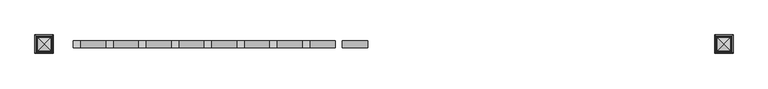
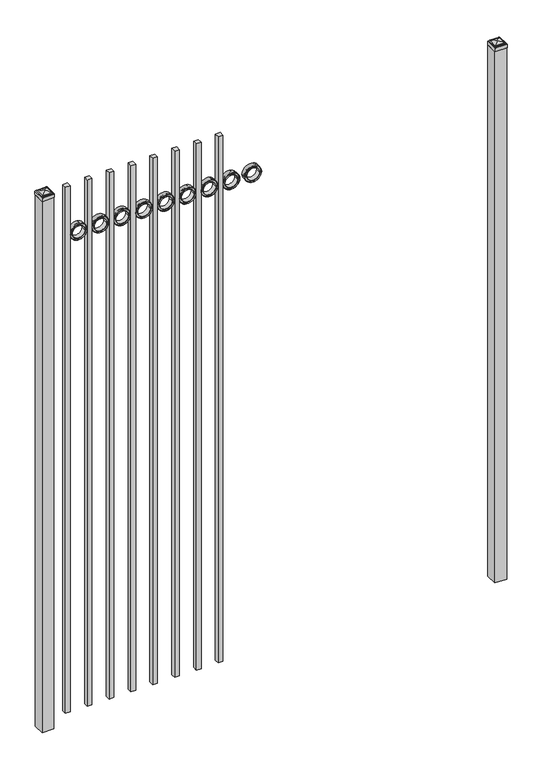
"""IFC4 building model written with IfcOpenShell, lengths in millimetres: railing geometry."""

from ifc_helpers import new_model, si_unit, point, frame, frame_2d, origin, origin_with_axes, place, context, project, spatial, polyline, circle_curve, ellipse_curve, trimmed, segment, composite_curve, outline, extrude, source, transform, mapped, element, save
from ifc_brep_helpers import plane_surface, cylinder_surface, advanced_brep


def railing_77950451(model_context):
    return source(origin(), model_context, "Body", "SolidModel", [
        extrude(outline(composite_curve([segment(trimmed(circle_curve(frame_2d((2769.4040076, 12601.0088655)), 45.6988591), [point((2769.4040076, 12646.7077246))], [point((2769.4040076, 12555.3100064))], False, "CARTESIAN"), True, "CONTINUOUS"), segment(trimmed(circle_curve(frame_2d((2769.4040076, 12601.0088655)), 45.6988591), [point((2769.4040076, 12555.3100064))], [point((2769.4040076, 12646.7077246))], False, "CARTESIAN"), True, "CONTINUOUS")], self_intersect=False), holes=[composite_curve([segment(trimmed(circle_curve(frame_2d((2769.4040076, 12601.0088655)), 44.101539), [point((2769.4040076, 12645.1104045))], [point((2769.4040076, 12556.9073265))], True, "CARTESIAN"), True, "CONTINUOUS"), segment(trimmed(circle_curve(frame_2d((2769.4040076, 12601.0088655)), 44.101539), [point((2769.4040076, 12556.9073265))], [point((2769.4040076, 12645.1104045))], True, "CARTESIAN"), True, "CONTINUOUS")], self_intersect=False)]), frame((0.0, 4260.219541, 0.0), z_axis=(0.0, 1.0, 0.0), x_axis=(0.0, 0.0, 1.0)), (0.0, 0.0, 1.0), 25.4),
        extrude(outline(composite_curve([segment(trimmed(circle_curve(frame_2d((2769.4040076, 12601.0088655)), 34.6370762), [point((2769.4040076, 12635.6459417))], [point((2769.4040076, 12566.3717893))], False, "CARTESIAN"), True, "CONTINUOUS"), segment(trimmed(circle_curve(frame_2d((2769.4040076, 12601.0088655)), 34.6370762), [point((2769.4040076, 12566.3717893))], [point((2769.4040076, 12635.6459417))], False, "CARTESIAN"), True, "CONTINUOUS")], self_intersect=False), holes=[composite_curve([segment(trimmed(circle_curve(frame_2d((2769.4040076, 12601.0088655)), 33.0443887), [point((2769.4040076, 12634.0532542))], [point((2769.4040076, 12567.9644768))], True, "CARTESIAN"), True, "CONTINUOUS"), segment(trimmed(circle_curve(frame_2d((2769.4040076, 12601.0088655)), 33.0443887), [point((2769.4040076, 12567.9644768))], [point((2769.4040076, 12634.0532542))], True, "CARTESIAN"), True, "CONTINUOUS")], self_intersect=False)]), frame((0.0, 4260.219541, 0.0), z_axis=(0.0, 1.0, 0.0), x_axis=(0.0, 0.0, 1.0)), (0.0, 0.0, 1.0), 25.4),
        extrude(outline(composite_curve([segment(trimmed(circle_curve(frame_2d((2769.4040076, 12601.0088655)), 45.6988591), [point((2769.4040076, 12646.7077246))], [point((2769.4040076, 12555.3100064))], False, "CARTESIAN"), True, "CONTINUOUS"), segment(trimmed(circle_curve(frame_2d((2769.4040076, 12601.0088655)), 45.6988591), [point((2769.4040076, 12555.3100064))], [point((2769.4040076, 12646.7077246))], False, "CARTESIAN"), True, "CONTINUOUS")], self_intersect=False), holes=[composite_curve([segment(trimmed(circle_curve(frame_2d((2769.4040076, 12601.0088655)), 33.0443887), [point((2769.4040076, 12634.0532542))], [point((2769.4040076, 12567.9644768))], True, "CARTESIAN"), True, "CONTINUOUS"), segment(trimmed(circle_curve(frame_2d((2769.4040076, 12601.0088655)), 33.0443887), [point((2769.4040076, 12567.9644768))], [point((2769.4040076, 12634.0532542))], True, "CARTESIAN"), True, "CONTINUOUS")], self_intersect=False)]), frame((0.0, 4266.569541, 0.0), z_axis=(0.0, 1.0, 0.0), x_axis=(0.0, 0.0, 1.0)), (0.0, 0.0, 1.0), 12.7),
        extrude(outline(polyline([(12412.4350064, 4285.619541), (12437.8350064, 4285.619541), (12437.8350064, 4260.219541), (12412.4350064, 4260.219541), (12412.4350064, 4285.619541)])), frame((0.0, 0.0, 50.8), z_axis=(0.0, 0.0, 1.0), x_axis=(1.0, 0.0, 0.0)), (0.0, 0.0, 1.0), 2997.2),
        extrude(outline(composite_curve([segment(trimmed(circle_curve(frame_2d((2769.4040076, 12483.5338655)), 45.6988591), [point((2769.4040076, 12529.2327246))], [point((2769.4040076, 12437.8350064))], False, "CARTESIAN"), True, "CONTINUOUS"), segment(trimmed(circle_curve(frame_2d((2769.4040076, 12483.5338655)), 45.6988591), [point((2769.4040076, 12437.8350064))], [point((2769.4040076, 12529.2327246))], False, "CARTESIAN"), True, "CONTINUOUS")], self_intersect=False), holes=[composite_curve([segment(trimmed(circle_curve(frame_2d((2769.4040076, 12483.5338655)), 44.101539), [point((2769.4040076, 12527.6354045))], [point((2769.4040076, 12439.4323265))], True, "CARTESIAN"), True, "CONTINUOUS"), segment(trimmed(circle_curve(frame_2d((2769.4040076, 12483.5338655)), 44.101539), [point((2769.4040076, 12439.4323265))], [point((2769.4040076, 12527.6354045))], True, "CARTESIAN"), True, "CONTINUOUS")], self_intersect=False)]), frame((0.0, 4260.219541, 0.0), z_axis=(0.0, 1.0, 0.0), x_axis=(0.0, 0.0, 1.0)), (0.0, 0.0, 1.0), 25.4),
        extrude(outline(composite_curve([segment(trimmed(circle_curve(frame_2d((2769.4040076, 12483.5338655)), 34.6370762), [point((2769.4040076, 12518.1709417))], [point((2769.4040076, 12448.8967893))], False, "CARTESIAN"), True, "CONTINUOUS"), segment(trimmed(circle_curve(frame_2d((2769.4040076, 12483.5338655)), 34.6370762), [point((2769.4040076, 12448.8967893))], [point((2769.4040076, 12518.1709417))], False, "CARTESIAN"), True, "CONTINUOUS")], self_intersect=False), holes=[composite_curve([segment(trimmed(circle_curve(frame_2d((2769.4040076, 12483.5338655)), 33.0443887), [point((2769.4040076, 12516.5782542))], [point((2769.4040076, 12450.4894768))], True, "CARTESIAN"), True, "CONTINUOUS"), segment(trimmed(circle_curve(frame_2d((2769.4040076, 12483.5338655)), 33.0443887), [point((2769.4040076, 12450.4894768))], [point((2769.4040076, 12516.5782542))], True, "CARTESIAN"), True, "CONTINUOUS")], self_intersect=False)]), frame((0.0, 4260.219541, 0.0), z_axis=(0.0, 1.0, 0.0), x_axis=(0.0, 0.0, 1.0)), (0.0, 0.0, 1.0), 25.4),
        extrude(outline(composite_curve([segment(trimmed(circle_curve(frame_2d((2769.4040076, 12483.5338655)), 45.6988591), [point((2769.4040076, 12529.2327246))], [point((2769.4040076, 12437.8350064))], False, "CARTESIAN"), True, "CONTINUOUS"), segment(trimmed(circle_curve(frame_2d((2769.4040076, 12483.5338655)), 45.6988591), [point((2769.4040076, 12437.8350064))], [point((2769.4040076, 12529.2327246))], False, "CARTESIAN"), True, "CONTINUOUS")], self_intersect=False), holes=[composite_curve([segment(trimmed(circle_curve(frame_2d((2769.4040076, 12483.5338655)), 33.0443887), [point((2769.4040076, 12516.5782542))], [point((2769.4040076, 12450.4894768))], True, "CARTESIAN"), True, "CONTINUOUS"), segment(trimmed(circle_curve(frame_2d((2769.4040076, 12483.5338655)), 33.0443887), [point((2769.4040076, 12450.4894768))], [point((2769.4040076, 12516.5782542))], True, "CARTESIAN"), True, "CONTINUOUS")], self_intersect=False)]), frame((0.0, 4266.569541, 0.0), z_axis=(0.0, 1.0, 0.0), x_axis=(0.0, 0.0, 1.0)), (0.0, 0.0, 1.0), 12.7),
        extrude(outline(polyline([(12294.9600064, 4285.619541), (12320.3600064, 4285.619541), (12320.3600064, 4260.219541), (12294.9600064, 4260.219541), (12294.9600064, 4285.619541)])), frame((0.0, 0.0, 50.8), z_axis=(0.0, 0.0, 1.0), x_axis=(1.0, 0.0, 0.0)), (0.0, 0.0, 1.0), 2997.2),
        extrude(outline(composite_curve([segment(trimmed(circle_curve(frame_2d((2769.4040076, 12366.0588655)), 45.6988591), [point((2769.4040076, 12411.7577246))], [point((2769.4040076, 12320.3600064))], False, "CARTESIAN"), True, "CONTINUOUS"), segment(trimmed(circle_curve(frame_2d((2769.4040076, 12366.0588655)), 45.6988591), [point((2769.4040076, 12320.3600064))], [point((2769.4040076, 12411.7577246))], False, "CARTESIAN"), True, "CONTINUOUS")], self_intersect=False), holes=[composite_curve([segment(trimmed(circle_curve(frame_2d((2769.4040076, 12366.0588655)), 44.101539), [point((2769.4040076, 12410.1604045))], [point((2769.4040076, 12321.9573265))], True, "CARTESIAN"), True, "CONTINUOUS"), segment(trimmed(circle_curve(frame_2d((2769.4040076, 12366.0588655)), 44.101539), [point((2769.4040076, 12321.9573265))], [point((2769.4040076, 12410.1604045))], True, "CARTESIAN"), True, "CONTINUOUS")], self_intersect=False)]), frame((0.0, 4260.219541, 0.0), z_axis=(0.0, 1.0, 0.0), x_axis=(0.0, 0.0, 1.0)), (0.0, 0.0, 1.0), 25.4),
        extrude(outline(composite_curve([segment(trimmed(circle_curve(frame_2d((2769.4040076, 12366.0588655)), 34.6370762), [point((2769.4040076, 12400.6959417))], [point((2769.4040076, 12331.4217893))], False, "CARTESIAN"), True, "CONTINUOUS"), segment(trimmed(circle_curve(frame_2d((2769.4040076, 12366.0588655)), 34.6370762), [point((2769.4040076, 12331.4217893))], [point((2769.4040076, 12400.6959417))], False, "CARTESIAN"), True, "CONTINUOUS")], self_intersect=False), holes=[composite_curve([segment(trimmed(circle_curve(frame_2d((2769.4040076, 12366.0588655)), 33.0443887), [point((2769.4040076, 12399.1032542))], [point((2769.4040076, 12333.0144768))], True, "CARTESIAN"), True, "CONTINUOUS"), segment(trimmed(circle_curve(frame_2d((2769.4040076, 12366.0588655)), 33.0443887), [point((2769.4040076, 12333.0144768))], [point((2769.4040076, 12399.1032542))], True, "CARTESIAN"), True, "CONTINUOUS")], self_intersect=False)]), frame((0.0, 4260.219541, 0.0), z_axis=(0.0, 1.0, 0.0), x_axis=(0.0, 0.0, 1.0)), (0.0, 0.0, 1.0), 25.4),
        extrude(outline(composite_curve([segment(trimmed(circle_curve(frame_2d((2769.4040076, 12366.0588655)), 45.6988591), [point((2769.4040076, 12411.7577246))], [point((2769.4040076, 12320.3600064))], False, "CARTESIAN"), True, "CONTINUOUS"), segment(trimmed(circle_curve(frame_2d((2769.4040076, 12366.0588655)), 45.6988591), [point((2769.4040076, 12320.3600064))], [point((2769.4040076, 12411.7577246))], False, "CARTESIAN"), True, "CONTINUOUS")], self_intersect=False), holes=[composite_curve([segment(trimmed(circle_curve(frame_2d((2769.4040076, 12366.0588655)), 33.0443887), [point((2769.4040076, 12399.1032542))], [point((2769.4040076, 12333.0144768))], True, "CARTESIAN"), True, "CONTINUOUS"), segment(trimmed(circle_curve(frame_2d((2769.4040076, 12366.0588655)), 33.0443887), [point((2769.4040076, 12333.0144768))], [point((2769.4040076, 12399.1032542))], True, "CARTESIAN"), True, "CONTINUOUS")], self_intersect=False)]), frame((0.0, 4266.569541, 0.0), z_axis=(0.0, 1.0, 0.0), x_axis=(0.0, 0.0, 1.0)), (0.0, 0.0, 1.0), 12.7),
        extrude(outline(polyline([(12177.4850064, 4285.619541), (12202.8850064, 4285.619541), (12202.8850064, 4260.219541), (12177.4850064, 4260.219541), (12177.4850064, 4285.619541)])), frame((0.0, 0.0, 50.8), z_axis=(0.0, 0.0, 1.0), x_axis=(1.0, 0.0, 0.0)), (0.0, 0.0, 1.0), 2997.2),
        extrude(outline(composite_curve([segment(trimmed(circle_curve(frame_2d((2769.4040076, 12248.5838655)), 45.6988591), [point((2769.4040076, 12294.2827246))], [point((2769.4040076, 12202.8850064))], False, "CARTESIAN"), True, "CONTINUOUS"), segment(trimmed(circle_curve(frame_2d((2769.4040076, 12248.5838655)), 45.6988591), [point((2769.4040076, 12202.8850064))], [point((2769.4040076, 12294.2827246))], False, "CARTESIAN"), True, "CONTINUOUS")], self_intersect=False), holes=[composite_curve([segment(trimmed(circle_curve(frame_2d((2769.4040076, 12248.5838655)), 44.101539), [point((2769.4040076, 12292.6854045))], [point((2769.4040076, 12204.4823265))], True, "CARTESIAN"), True, "CONTINUOUS"), segment(trimmed(circle_curve(frame_2d((2769.4040076, 12248.5838655)), 44.101539), [point((2769.4040076, 12204.4823265))], [point((2769.4040076, 12292.6854045))], True, "CARTESIAN"), True, "CONTINUOUS")], self_intersect=False)]), frame((0.0, 4260.219541, 0.0), z_axis=(0.0, 1.0, 0.0), x_axis=(0.0, 0.0, 1.0)), (0.0, 0.0, 1.0), 25.4),
        extrude(outline(composite_curve([segment(trimmed(circle_curve(frame_2d((2769.4040076, 12248.5838655)), 34.6370762), [point((2769.4040076, 12283.2209417))], [point((2769.4040076, 12213.9467893))], False, "CARTESIAN"), True, "CONTINUOUS"), segment(trimmed(circle_curve(frame_2d((2769.4040076, 12248.5838655)), 34.6370762), [point((2769.4040076, 12213.9467893))], [point((2769.4040076, 12283.2209417))], False, "CARTESIAN"), True, "CONTINUOUS")], self_intersect=False), holes=[composite_curve([segment(trimmed(circle_curve(frame_2d((2769.4040076, 12248.5838655)), 33.0443887), [point((2769.4040076, 12281.6282542))], [point((2769.4040076, 12215.5394768))], True, "CARTESIAN"), True, "CONTINUOUS"), segment(trimmed(circle_curve(frame_2d((2769.4040076, 12248.5838655)), 33.0443887), [point((2769.4040076, 12215.5394768))], [point((2769.4040076, 12281.6282542))], True, "CARTESIAN"), True, "CONTINUOUS")], self_intersect=False)]), frame((0.0, 4260.219541, 0.0), z_axis=(0.0, 1.0, 0.0), x_axis=(0.0, 0.0, 1.0)), (0.0, 0.0, 1.0), 25.4),
        extrude(outline(composite_curve([segment(trimmed(circle_curve(frame_2d((2769.4040076, 12248.5838655)), 45.6988591), [point((2769.4040076, 12294.2827246))], [point((2769.4040076, 12202.8850064))], False, "CARTESIAN"), True, "CONTINUOUS"), segment(trimmed(circle_curve(frame_2d((2769.4040076, 12248.5838655)), 45.6988591), [point((2769.4040076, 12202.8850064))], [point((2769.4040076, 12294.2827246))], False, "CARTESIAN"), True, "CONTINUOUS")], self_intersect=False), holes=[composite_curve([segment(trimmed(circle_curve(frame_2d((2769.4040076, 12248.5838655)), 33.0443887), [point((2769.4040076, 12281.6282542))], [point((2769.4040076, 12215.5394768))], True, "CARTESIAN"), True, "CONTINUOUS"), segment(trimmed(circle_curve(frame_2d((2769.4040076, 12248.5838655)), 33.0443887), [point((2769.4040076, 12215.5394768))], [point((2769.4040076, 12281.6282542))], True, "CARTESIAN"), True, "CONTINUOUS")], self_intersect=False)]), frame((0.0, 4266.569541, 0.0), z_axis=(0.0, 1.0, 0.0), x_axis=(0.0, 0.0, 1.0)), (0.0, 0.0, 1.0), 12.7),
        extrude(outline(polyline([(12060.0100064, 4285.619541), (12085.4100064, 4285.619541), (12085.4100064, 4260.219541), (12060.0100064, 4260.219541), (12060.0100064, 4285.619541)])), frame((0.0, 0.0, 50.8), z_axis=(0.0, 0.0, 1.0), x_axis=(1.0, 0.0, 0.0)), (0.0, 0.0, 1.0), 2997.2),
        extrude(outline(composite_curve([segment(trimmed(circle_curve(frame_2d((2769.4040076, 12131.1088655)), 45.6988591), [point((2769.4040076, 12176.8077246))], [point((2769.4040076, 12085.4100064))], False, "CARTESIAN"), True, "CONTINUOUS"), segment(trimmed(circle_curve(frame_2d((2769.4040076, 12131.1088655)), 45.6988591), [point((2769.4040076, 12085.4100064))], [point((2769.4040076, 12176.8077246))], False, "CARTESIAN"), True, "CONTINUOUS")], self_intersect=False), holes=[composite_curve([segment(trimmed(circle_curve(frame_2d((2769.4040076, 12131.1088655)), 44.101539), [point((2769.4040076, 12175.2104045))], [point((2769.4040076, 12087.0073265))], True, "CARTESIAN"), True, "CONTINUOUS"), segment(trimmed(circle_curve(frame_2d((2769.4040076, 12131.1088655)), 44.101539), [point((2769.4040076, 12087.0073265))], [point((2769.4040076, 12175.2104045))], True, "CARTESIAN"), True, "CONTINUOUS")], self_intersect=False)]), frame((0.0, 4260.219541, 0.0), z_axis=(0.0, 1.0, 0.0), x_axis=(0.0, 0.0, 1.0)), (0.0, 0.0, 1.0), 25.4),
        extrude(outline(composite_curve([segment(trimmed(circle_curve(frame_2d((2769.4040076, 12131.1088655)), 34.6370762), [point((2769.4040076, 12165.7459417))], [point((2769.4040076, 12096.4717893))], False, "CARTESIAN"), True, "CONTINUOUS"), segment(trimmed(circle_curve(frame_2d((2769.4040076, 12131.1088655)), 34.6370762), [point((2769.4040076, 12096.4717893))], [point((2769.4040076, 12165.7459417))], False, "CARTESIAN"), True, "CONTINUOUS")], self_intersect=False), holes=[composite_curve([segment(trimmed(circle_curve(frame_2d((2769.4040076, 12131.1088655)), 33.0443887), [point((2769.4040076, 12164.1532542))], [point((2769.4040076, 12098.0644768))], True, "CARTESIAN"), True, "CONTINUOUS"), segment(trimmed(circle_curve(frame_2d((2769.4040076, 12131.1088655)), 33.0443887), [point((2769.4040076, 12098.0644768))], [point((2769.4040076, 12164.1532542))], True, "CARTESIAN"), True, "CONTINUOUS")], self_intersect=False)]), frame((0.0, 4260.219541, 0.0), z_axis=(0.0, 1.0, 0.0), x_axis=(0.0, 0.0, 1.0)), (0.0, 0.0, 1.0), 25.4),
        extrude(outline(composite_curve([segment(trimmed(circle_curve(frame_2d((2769.4040076, 12131.1088655)), 45.6988591), [point((2769.4040076, 12176.8077246))], [point((2769.4040076, 12085.4100064))], False, "CARTESIAN"), True, "CONTINUOUS"), segment(trimmed(circle_curve(frame_2d((2769.4040076, 12131.1088655)), 45.6988591), [point((2769.4040076, 12085.4100064))], [point((2769.4040076, 12176.8077246))], False, "CARTESIAN"), True, "CONTINUOUS")], self_intersect=False), holes=[composite_curve([segment(trimmed(circle_curve(frame_2d((2769.4040076, 12131.1088655)), 33.0443887), [point((2769.4040076, 12164.1532542))], [point((2769.4040076, 12098.0644768))], True, "CARTESIAN"), True, "CONTINUOUS"), segment(trimmed(circle_curve(frame_2d((2769.4040076, 12131.1088655)), 33.0443887), [point((2769.4040076, 12098.0644768))], [point((2769.4040076, 12164.1532542))], True, "CARTESIAN"), True, "CONTINUOUS")], self_intersect=False)]), frame((0.0, 4266.569541, 0.0), z_axis=(0.0, 1.0, 0.0), x_axis=(0.0, 0.0, 1.0)), (0.0, 0.0, 1.0), 12.7),
        extrude(outline(polyline([(11942.5350064, 4285.619541), (11967.9350064, 4285.619541), (11967.9350064, 4260.219541), (11942.5350064, 4260.219541), (11942.5350064, 4285.619541)])), frame((0.0, 0.0, 50.8), z_axis=(0.0, 0.0, 1.0), x_axis=(1.0, 0.0, 0.0)), (0.0, 0.0, 1.0), 2997.2),
        extrude(outline(composite_curve([segment(trimmed(circle_curve(frame_2d((2769.4040076, 12013.6338655)), 45.6988591), [point((2769.4040076, 12059.3327246))], [point((2769.4040076, 11967.9350064))], False, "CARTESIAN"), True, "CONTINUOUS"), segment(trimmed(circle_curve(frame_2d((2769.4040076, 12013.6338655)), 45.6988591), [point((2769.4040076, 11967.9350064))], [point((2769.4040076, 12059.3327246))], False, "CARTESIAN"), True, "CONTINUOUS")], self_intersect=False), holes=[composite_curve([segment(trimmed(circle_curve(frame_2d((2769.4040076, 12013.6338655)), 44.101539), [point((2769.4040076, 12057.7354045))], [point((2769.4040076, 11969.5323265))], True, "CARTESIAN"), True, "CONTINUOUS"), segment(trimmed(circle_curve(frame_2d((2769.4040076, 12013.6338655)), 44.101539), [point((2769.4040076, 11969.5323265))], [point((2769.4040076, 12057.7354045))], True, "CARTESIAN"), True, "CONTINUOUS")], self_intersect=False)]), frame((0.0, 4260.219541, 0.0), z_axis=(0.0, 1.0, 0.0), x_axis=(0.0, 0.0, 1.0)), (0.0, 0.0, 1.0), 25.4),
        extrude(outline(composite_curve([segment(trimmed(circle_curve(frame_2d((2769.4040076, 12013.6338655)), 34.6370762), [point((2769.4040076, 12048.2709417))], [point((2769.4040076, 11978.9967893))], False, "CARTESIAN"), True, "CONTINUOUS"), segment(trimmed(circle_curve(frame_2d((2769.4040076, 12013.6338655)), 34.6370762), [point((2769.4040076, 11978.9967893))], [point((2769.4040076, 12048.2709417))], False, "CARTESIAN"), True, "CONTINUOUS")], self_intersect=False), holes=[composite_curve([segment(trimmed(circle_curve(frame_2d((2769.4040076, 12013.6338655)), 33.0443887), [point((2769.4040076, 12046.6782542))], [point((2769.4040076, 11980.5894768))], True, "CARTESIAN"), True, "CONTINUOUS"), segment(trimmed(circle_curve(frame_2d((2769.4040076, 12013.6338655)), 33.0443887), [point((2769.4040076, 11980.5894768))], [point((2769.4040076, 12046.6782542))], True, "CARTESIAN"), True, "CONTINUOUS")], self_intersect=False)]), frame((0.0, 4260.219541, 0.0), z_axis=(0.0, 1.0, 0.0), x_axis=(0.0, 0.0, 1.0)), (0.0, 0.0, 1.0), 25.4),
        extrude(outline(composite_curve([segment(trimmed(circle_curve(frame_2d((2769.4040076, 12013.6338655)), 45.6988591), [point((2769.4040076, 12059.3327246))], [point((2769.4040076, 11967.9350064))], False, "CARTESIAN"), True, "CONTINUOUS"), segment(trimmed(circle_curve(frame_2d((2769.4040076, 12013.6338655)), 45.6988591), [point((2769.4040076, 11967.9350064))], [point((2769.4040076, 12059.3327246))], False, "CARTESIAN"), True, "CONTINUOUS")], self_intersect=False), holes=[composite_curve([segment(trimmed(circle_curve(frame_2d((2769.4040076, 12013.6338655)), 33.0443887), [point((2769.4040076, 12046.6782542))], [point((2769.4040076, 11980.5894768))], True, "CARTESIAN"), True, "CONTINUOUS"), segment(trimmed(circle_curve(frame_2d((2769.4040076, 12013.6338655)), 33.0443887), [point((2769.4040076, 11980.5894768))], [point((2769.4040076, 12046.6782542))], True, "CARTESIAN"), True, "CONTINUOUS")], self_intersect=False)]), frame((0.0, 4266.569541, 0.0), z_axis=(0.0, 1.0, 0.0), x_axis=(0.0, 0.0, 1.0)), (0.0, 0.0, 1.0), 12.7),
        extrude(outline(polyline([(11825.0600064, 4285.619541), (11850.4600064, 4285.619541), (11850.4600064, 4260.219541), (11825.0600064, 4260.219541), (11825.0600064, 4285.619541)])), frame((0.0, 0.0, 50.8), z_axis=(0.0, 0.0, 1.0), x_axis=(1.0, 0.0, 0.0)), (0.0, 0.0, 1.0), 2997.2),
        extrude(outline(composite_curve([segment(trimmed(circle_curve(frame_2d((2769.4040076, 11896.1588655)), 45.6988591), [point((2769.4040076, 11941.8577246))], [point((2769.4040076, 11850.4600064))], False, "CARTESIAN"), True, "CONTINUOUS"), segment(trimmed(circle_curve(frame_2d((2769.4040076, 11896.1588655)), 45.6988591), [point((2769.4040076, 11850.4600064))], [point((2769.4040076, 11941.8577246))], False, "CARTESIAN"), True, "CONTINUOUS")], self_intersect=False), holes=[composite_curve([segment(trimmed(circle_curve(frame_2d((2769.4040076, 11896.1588655)), 44.101539), [point((2769.4040076, 11940.2604045))], [point((2769.4040076, 11852.0573265))], True, "CARTESIAN"), True, "CONTINUOUS"), segment(trimmed(circle_curve(frame_2d((2769.4040076, 11896.1588655)), 44.101539), [point((2769.4040076, 11852.0573265))], [point((2769.4040076, 11940.2604045))], True, "CARTESIAN"), True, "CONTINUOUS")], self_intersect=False)]), frame((0.0, 4260.219541, 0.0), z_axis=(0.0, 1.0, 0.0), x_axis=(0.0, 0.0, 1.0)), (0.0, 0.0, 1.0), 25.4),
        extrude(outline(composite_curve([segment(trimmed(circle_curve(frame_2d((2769.4040076, 11896.1588655)), 34.6370762), [point((2769.4040076, 11930.7959417))], [point((2769.4040076, 11861.5217893))], False, "CARTESIAN"), True, "CONTINUOUS"), segment(trimmed(circle_curve(frame_2d((2769.4040076, 11896.1588655)), 34.6370762), [point((2769.4040076, 11861.5217893))], [point((2769.4040076, 11930.7959417))], False, "CARTESIAN"), True, "CONTINUOUS")], self_intersect=False), holes=[composite_curve([segment(trimmed(circle_curve(frame_2d((2769.4040076, 11896.1588655)), 33.0443887), [point((2769.4040076, 11929.2032542))], [point((2769.4040076, 11863.1144768))], True, "CARTESIAN"), True, "CONTINUOUS"), segment(trimmed(circle_curve(frame_2d((2769.4040076, 11896.1588655)), 33.0443887), [point((2769.4040076, 11863.1144768))], [point((2769.4040076, 11929.2032542))], True, "CARTESIAN"), True, "CONTINUOUS")], self_intersect=False)]), frame((0.0, 4260.219541, 0.0), z_axis=(0.0, 1.0, 0.0), x_axis=(0.0, 0.0, 1.0)), (0.0, 0.0, 1.0), 25.4),
        extrude(outline(composite_curve([segment(trimmed(circle_curve(frame_2d((2769.4040076, 11896.1588655)), 45.6988591), [point((2769.4040076, 11941.8577246))], [point((2769.4040076, 11850.4600064))], False, "CARTESIAN"), True, "CONTINUOUS"), segment(trimmed(circle_curve(frame_2d((2769.4040076, 11896.1588655)), 45.6988591), [point((2769.4040076, 11850.4600064))], [point((2769.4040076, 11941.8577246))], False, "CARTESIAN"), True, "CONTINUOUS")], self_intersect=False), holes=[composite_curve([segment(trimmed(circle_curve(frame_2d((2769.4040076, 11896.1588655)), 33.0443887), [point((2769.4040076, 11929.2032542))], [point((2769.4040076, 11863.1144768))], True, "CARTESIAN"), True, "CONTINUOUS"), segment(trimmed(circle_curve(frame_2d((2769.4040076, 11896.1588655)), 33.0443887), [point((2769.4040076, 11863.1144768))], [point((2769.4040076, 11929.2032542))], True, "CARTESIAN"), True, "CONTINUOUS")], self_intersect=False)]), frame((0.0, 4266.569541, 0.0), z_axis=(0.0, 1.0, 0.0), x_axis=(0.0, 0.0, 1.0)), (0.0, 0.0, 1.0), 12.7),
        extrude(outline(polyline([(11707.5850064, 4285.619541), (11732.9850064, 4285.619541), (11732.9850064, 4260.219541), (11707.5850064, 4260.219541), (11707.5850064, 4285.619541)])), frame((0.0, 0.0, 50.8), z_axis=(0.0, 0.0, 1.0), x_axis=(1.0, 0.0, 0.0)), (0.0, 0.0, 1.0), 2997.2),
        extrude(outline(composite_curve([segment(trimmed(circle_curve(frame_2d((2769.4040076, 11778.6838655)), 45.6988591), [point((2769.4040076, 11824.3827246))], [point((2769.4040076, 11732.9850064))], False, "CARTESIAN"), True, "CONTINUOUS"), segment(trimmed(circle_curve(frame_2d((2769.4040076, 11778.6838655)), 45.6988591), [point((2769.4040076, 11732.9850064))], [point((2769.4040076, 11824.3827246))], False, "CARTESIAN"), True, "CONTINUOUS")], self_intersect=False), holes=[composite_curve([segment(trimmed(circle_curve(frame_2d((2769.4040076, 11778.6838655)), 44.101539), [point((2769.4040076, 11822.7854045))], [point((2769.4040076, 11734.5823265))], True, "CARTESIAN"), True, "CONTINUOUS"), segment(trimmed(circle_curve(frame_2d((2769.4040076, 11778.6838655)), 44.101539), [point((2769.4040076, 11734.5823265))], [point((2769.4040076, 11822.7854045))], True, "CARTESIAN"), True, "CONTINUOUS")], self_intersect=False)]), frame((0.0, 4260.219541, 0.0), z_axis=(0.0, 1.0, 0.0), x_axis=(0.0, 0.0, 1.0)), (0.0, 0.0, 1.0), 25.4),
        extrude(outline(composite_curve([segment(trimmed(circle_curve(frame_2d((2769.4040076, 11778.6838655)), 34.6370762), [point((2769.4040076, 11813.3209417))], [point((2769.4040076, 11744.0467893))], False, "CARTESIAN"), True, "CONTINUOUS"), segment(trimmed(circle_curve(frame_2d((2769.4040076, 11778.6838655)), 34.6370762), [point((2769.4040076, 11744.0467893))], [point((2769.4040076, 11813.3209417))], False, "CARTESIAN"), True, "CONTINUOUS")], self_intersect=False), holes=[composite_curve([segment(trimmed(circle_curve(frame_2d((2769.4040076, 11778.6838655)), 33.0443887), [point((2769.4040076, 11811.7282542))], [point((2769.4040076, 11745.6394768))], True, "CARTESIAN"), True, "CONTINUOUS"), segment(trimmed(circle_curve(frame_2d((2769.4040076, 11778.6838655)), 33.0443887), [point((2769.4040076, 11745.6394768))], [point((2769.4040076, 11811.7282542))], True, "CARTESIAN"), True, "CONTINUOUS")], self_intersect=False)]), frame((0.0, 4260.219541, 0.0), z_axis=(0.0, 1.0, 0.0), x_axis=(0.0, 0.0, 1.0)), (0.0, 0.0, 1.0), 25.4),
        extrude(outline(composite_curve([segment(trimmed(circle_curve(frame_2d((2769.4040076, 11778.6838655)), 45.6988591), [point((2769.4040076, 11824.3827246))], [point((2769.4040076, 11732.9850064))], False, "CARTESIAN"), True, "CONTINUOUS"), segment(trimmed(circle_curve(frame_2d((2769.4040076, 11778.6838655)), 45.6988591), [point((2769.4040076, 11732.9850064))], [point((2769.4040076, 11824.3827246))], False, "CARTESIAN"), True, "CONTINUOUS")], self_intersect=False), holes=[composite_curve([segment(trimmed(circle_curve(frame_2d((2769.4040076, 11778.6838655)), 33.0443887), [point((2769.4040076, 11811.7282542))], [point((2769.4040076, 11745.6394768))], True, "CARTESIAN"), True, "CONTINUOUS"), segment(trimmed(circle_curve(frame_2d((2769.4040076, 11778.6838655)), 33.0443887), [point((2769.4040076, 11745.6394768))], [point((2769.4040076, 11811.7282542))], True, "CARTESIAN"), True, "CONTINUOUS")], self_intersect=False)]), frame((0.0, 4266.569541, 0.0), z_axis=(0.0, 1.0, 0.0), x_axis=(0.0, 0.0, 1.0)), (0.0, 0.0, 1.0), 12.7),
        extrude(outline(polyline([(11590.1100064, 4285.619541), (11615.5100064, 4285.619541), (11615.5100064, 4260.219541), (11590.1100064, 4260.219541), (11590.1100064, 4285.619541)])), frame((0.0, 0.0, 50.8), z_axis=(0.0, 0.0, 1.0), x_axis=(1.0, 0.0, 0.0)), (0.0, 0.0, 1.0), 2997.2),
        extrude(outline(composite_curve([segment(trimmed(circle_curve(frame_2d((2769.4040076, 11661.2088655)), 45.6988591), [point((2769.4040076, 11706.9077246))], [point((2769.4040076, 11615.5100064))], False, "CARTESIAN"), True, "CONTINUOUS"), segment(trimmed(circle_curve(frame_2d((2769.4040076, 11661.2088655)), 45.6988591), [point((2769.4040076, 11615.5100064))], [point((2769.4040076, 11706.9077246))], False, "CARTESIAN"), True, "CONTINUOUS")], self_intersect=False), holes=[composite_curve([segment(trimmed(circle_curve(frame_2d((2769.4040076, 11661.2088655)), 44.101539), [point((2769.4040076, 11705.3104045))], [point((2769.4040076, 11617.1073265))], True, "CARTESIAN"), True, "CONTINUOUS"), segment(trimmed(circle_curve(frame_2d((2769.4040076, 11661.2088655)), 44.101539), [point((2769.4040076, 11617.1073265))], [point((2769.4040076, 11705.3104045))], True, "CARTESIAN"), True, "CONTINUOUS")], self_intersect=False)]), frame((0.0, 4260.219541, 0.0), z_axis=(0.0, 1.0, 0.0), x_axis=(0.0, 0.0, 1.0)), (0.0, 0.0, 1.0), 25.4),
        extrude(outline(composite_curve([segment(trimmed(circle_curve(frame_2d((2769.4040076, 11661.2088655)), 34.6370762), [point((2769.4040076, 11695.8459417))], [point((2769.4040076, 11626.5717893))], False, "CARTESIAN"), True, "CONTINUOUS"), segment(trimmed(circle_curve(frame_2d((2769.4040076, 11661.2088655)), 34.6370762), [point((2769.4040076, 11626.5717893))], [point((2769.4040076, 11695.8459417))], False, "CARTESIAN"), True, "CONTINUOUS")], self_intersect=False), holes=[composite_curve([segment(trimmed(circle_curve(frame_2d((2769.4040076, 11661.2088655)), 33.0443887), [point((2769.4040076, 11694.2532542))], [point((2769.4040076, 11628.1644768))], True, "CARTESIAN"), True, "CONTINUOUS"), segment(trimmed(circle_curve(frame_2d((2769.4040076, 11661.2088655)), 33.0443887), [point((2769.4040076, 11628.1644768))], [point((2769.4040076, 11694.2532542))], True, "CARTESIAN"), True, "CONTINUOUS")], self_intersect=False)]), frame((0.0, 4260.219541, 0.0), z_axis=(0.0, 1.0, 0.0), x_axis=(0.0, 0.0, 1.0)), (0.0, 0.0, 1.0), 25.4),
        extrude(outline(composite_curve([segment(trimmed(circle_curve(frame_2d((2769.4040076, 11661.2088655)), 45.6988591), [point((2769.4040076, 11706.9077246))], [point((2769.4040076, 11615.5100064))], False, "CARTESIAN"), True, "CONTINUOUS"), segment(trimmed(circle_curve(frame_2d((2769.4040076, 11661.2088655)), 45.6988591), [point((2769.4040076, 11615.5100064))], [point((2769.4040076, 11706.9077246))], False, "CARTESIAN"), True, "CONTINUOUS")], self_intersect=False), holes=[composite_curve([segment(trimmed(circle_curve(frame_2d((2769.4040076, 11661.2088655)), 33.0443887), [point((2769.4040076, 11694.2532542))], [point((2769.4040076, 11628.1644768))], True, "CARTESIAN"), True, "CONTINUOUS"), segment(trimmed(circle_curve(frame_2d((2769.4040076, 11661.2088655)), 33.0443887), [point((2769.4040076, 11628.1644768))], [point((2769.4040076, 11694.2532542))], True, "CARTESIAN"), True, "CONTINUOUS")], self_intersect=False)]), frame((0.0, 4266.569541, 0.0), z_axis=(0.0, 1.0, 0.0), x_axis=(0.0, 0.0, 1.0)), (0.0, 0.0, 1.0), 12.7),
        extrude(outline(polyline([(13955.4850064, 4304.669541), (13955.4850064, 4241.169541), (13891.9850064, 4241.169541), (13891.9850064, 4304.669541), (13955.4850064, 4304.669541)])), origin_with_axes(), (0.0, 0.0, 1.0), 3027.3625),
        advanced_brep(
        [(13890.3975064, 4306.257041, 3045.61875), (13890.3975064, 4306.257041, 3027.3625), (13890.3975064, 4239.582041, 3027.3625), (13890.3975064, 4239.582041, 3045.61875), (13892.7787564, 4303.875791, 3048.0), (13892.7787564, 4241.963291, 3048.0), (13895.1600064, 4301.494541, 3050.38125), (13895.1600064, 4301.494541, 3048.0), (13895.1600064, 4244.344541, 3048.0), (13895.1600064, 4244.344541, 3050.38125), (13897.5412564, 4299.113291, 3052.7625), (13897.5412564, 4246.725791, 3052.7625), (13923.7350064, 4272.919541, 3059.1125), (13899.9225064, 4296.732041, 3052.7625), (13899.9225064, 4249.107041, 3052.7625), (13957.0725064, 4239.582041, 3027.3625), (13957.0725064, 4239.582041, 3045.61875), (13954.6912564, 4241.963291, 3048.0), (13952.3100064, 4244.344541, 3048.0), (13952.3100064, 4244.344541, 3050.38125), (13949.9287564, 4246.725791, 3052.7625), (13947.5475064, 4249.107041, 3052.7625), (13957.0725064, 4306.257041, 3027.3625), (13957.0725064, 4306.257041, 3045.61875), (13954.6912564, 4303.875791, 3048.0), (13952.3100064, 4301.494541, 3048.0), (13952.3100064, 4301.494541, 3050.38125), (13949.9287564, 4299.113291, 3052.7625), (13947.5475064, 4296.732041, 3052.7625)],
        [
            (0, 1),
            (1, 2),
            (2, 3),
            (3, 0),
            (4, 0, ellipse_curve(frame((13892.7787564, 4303.875791, 3045.61875), z_axis=(-0.70710678118655, -0.7071067811865449, 0.0), x_axis=(-0.7071067811865448, 0.7071067811865501, 0.0)), 3.367596, 2.38125)),
            (3, 5, ellipse_curve(frame((13892.7787564, 4241.963291, 3045.61875), z_axis=(-0.7071067811865449, 0.70710678118655, 0.0), x_axis=(0.7071067811865499, 0.707106781186545, 0.0)), 3.367596, 2.38125)),
            (5, 4),
            (6, 7),
            (7, 8),
            (8, 9),
            (9, 6),
            (10, 6, ellipse_curve(frame((13897.5412564, 4299.113291, 3050.38125), z_axis=(-0.70710678118655, -0.7071067811865449, 0.0), x_axis=(-0.7071067811865448, 0.7071067811865501, 0.0)), 3.367596, 2.38125)),
            (9, 11, ellipse_curve(frame((13897.5412564, 4246.725791, 3050.38125), z_axis=(-0.7071067811865449, 0.70710678118655, 0.0), x_axis=(0.7071067811865499, 0.707106781186545, 0.0)), 3.367596, 2.38125)),
            (11, 10),
            (12, 13, ellipse_curve(frame((13923.7350064, 4272.919541, 3011.2890625), z_axis=(-0.70710678118655, -0.7071067811865449, 0.0), x_axis=(-0.7071067811865448, 0.7071067811865501, 0.0)), 67.6325539, 47.8234375)),
            (13, 14),
            (14, 12, ellipse_curve(frame((13923.7350064, 4272.919541, 3011.2890625), z_axis=(-0.7071067811865449, 0.70710678118655, 0.0), x_axis=(0.7071067811865499, 0.707106781186545, 0.0)), 67.6325539, 47.8234375)),
            (2, 15),
            (15, 16),
            (16, 3),
            (16, 17, ellipse_curve(frame((13954.6912564, 4241.963291, 3045.61875), z_axis=(-0.70710678118655, -0.707106781186545, 0.0), x_axis=(-0.707106781186545, 0.70710678118655, 0.0)), 3.367596, 2.38125)),
            (17, 5),
            (8, 18),
            (18, 19),
            (19, 9),
            (19, 20, ellipse_curve(frame((13949.9287564, 4246.725791, 3050.38125), z_axis=(-0.70710678118655, -0.707106781186545, 0.0), x_axis=(-0.707106781186545, 0.70710678118655, 0.0)), 3.367596, 2.38125)),
            (20, 11),
            (14, 21),
            (21, 12, ellipse_curve(frame((13923.7350064, 4272.919541, 3011.2890625), z_axis=(-0.70710678118655, -0.707106781186545, 0.0), x_axis=(-0.707106781186545, 0.70710678118655, 0.0)), 67.6325539, 47.8234375)),
            (15, 22),
            (22, 23),
            (23, 16),
            (23, 24, ellipse_curve(frame((13954.6912564, 4303.875791, 3045.61875), z_axis=(0.707106781186545, -0.7071067811865499, 0.0), x_axis=(-0.7071067811865497, -0.7071067811865452, 0.0)), 3.367596, 2.38125)),
            (24, 17),
            (18, 25),
            (25, 26),
            (26, 19),
            (26, 27, ellipse_curve(frame((13949.9287564, 4299.113291, 3050.38125), z_axis=(0.707106781186545, -0.7071067811865499, 0.0), x_axis=(-0.7071067811865497, -0.7071067811865452, 0.0)), 3.367596, 2.38125)),
            (27, 20),
            (21, 28),
            (28, 12, ellipse_curve(frame((13923.7350064, 4272.919541, 3011.2890625), z_axis=(0.707106781186545, -0.7071067811865499, 0.0), x_axis=(-0.7071067811865497, -0.7071067811865452, 0.0)), 67.6325539, 47.8234375)),
            (22, 1),
            (0, 23),
            (4, 24),
            (7, 25),
            (6, 26),
            (10, 27),
            (13, 28),
        ],
        [
            plane_surface(frame((13890.3975064, 4306.257041, 3027.3625), z_axis=(-1.0, 0.0, 0.0), x_axis=(0.0, -1.0, 0.0))),
            cylinder_surface(frame((13892.7787564, 4304.669541, 3045.61875), z_axis=(0.0, 1.0, 0.0), x_axis=(1.0, 0.0, 0.0)), 2.38125),
            plane_surface(frame((13895.1600064, 4301.494541, 3048.0), z_axis=(-1.0, 0.0, 0.0), x_axis=(0.0, -1.0, 0.0))),
            cylinder_surface(frame((13897.5412564, 4304.669541, 3050.38125), z_axis=(0.0, 1.0, 0.0), x_axis=(1.0, 0.0, 0.0)), 2.38125),
            cylinder_surface(frame((13923.7350064, 4304.669541, 3011.2890625), z_axis=(0.0, 1.0, 0.0), x_axis=(1.0, 0.0, 0.0)), 47.8234375),
            plane_surface(frame((13890.3975064, 4239.582041, 3027.3625), z_axis=(0.0, -1.0, 0.0), x_axis=(1.0, 0.0, 0.0))),
            cylinder_surface(frame((13891.9850064, 4241.963291, 3045.61875), z_axis=(-1.0, 0.0, 0.0), x_axis=(0.0, 1.0, 0.0)), 2.38125),
            plane_surface(frame((13895.1600064, 4244.344541, 3048.0), z_axis=(0.0, -1.0, 0.0), x_axis=(1.0, 0.0, 0.0))),
            cylinder_surface(frame((13891.9850064, 4246.725791, 3050.38125), z_axis=(-1.0, 0.0, 0.0), x_axis=(0.0, 1.0, 0.0)), 2.38125),
            cylinder_surface(frame((13891.9850064, 4272.919541, 3011.2890625), z_axis=(-1.0, 0.0, 0.0), x_axis=(0.0, 1.0, 0.0)), 47.8234375),
            plane_surface(frame((13957.0725064, 4239.582041, 3027.3625), z_axis=(1.0, 0.0, 0.0), x_axis=(0.0, 1.0, 0.0))),
            cylinder_surface(frame((13954.6912564, 4241.169541, 3045.61875), z_axis=(0.0, -1.0, 0.0), x_axis=(-1.0, 0.0, 0.0)), 2.38125),
            plane_surface(frame((13952.3100064, 4244.344541, 3048.0), z_axis=(1.0, 0.0, 0.0), x_axis=(0.0, 1.0, 0.0))),
            cylinder_surface(frame((13949.9287564, 4241.169541, 3050.38125), z_axis=(0.0, -1.0, 0.0), x_axis=(-1.0, 0.0, 0.0)), 2.38125),
            cylinder_surface(frame((13923.7350064, 4241.169541, 3011.2890625), z_axis=(0.0, -1.0, 0.0), x_axis=(-1.0, 0.0, 0.0)), 47.8234375),
            plane_surface(frame((13957.0725064, 4306.257041, 3027.3625), z_axis=(0.0, 1.0, 0.0), x_axis=(-1.0, 0.0, 0.0))),
            cylinder_surface(frame((13955.4850064, 4303.875791, 3045.61875), z_axis=(1.0, 0.0, 0.0), x_axis=(0.0, -1.0, 0.0)), 2.38125),
            plane_surface(frame((13954.6912564, 4303.875791, 3048.0), z_axis=(0.0, 0.0, 1.0), x_axis=(-1.0, 0.0, 0.0))),
            plane_surface(frame((13952.3100064, 4301.494541, 3048.0), z_axis=(0.0, 1.0, 0.0), x_axis=(-1.0, 0.0, 0.0))),
            cylinder_surface(frame((13955.4850064, 4299.113291, 3050.38125), z_axis=(1.0, 0.0, 0.0), x_axis=(0.0, -1.0, 0.0)), 2.38125),
            plane_surface(frame((13949.9287564, 4299.113291, 3052.7625), z_axis=(0.0, 0.0, 1.0), x_axis=(-1.0, 0.0, 0.0))),
            cylinder_surface(frame((13955.4850064, 4272.919541, 3011.2890625), z_axis=(1.0, 0.0, 0.0), x_axis=(0.0, -1.0, 0.0)), 47.8234375),
            plane_surface(frame((13923.7350064, 4272.919541, 3027.3625), z_axis=(0.0, 0.0, -1.0), x_axis=(-1.0, 0.0, 0.0))),
        ],
        [
            (0, [[1, 2, 3, 4]]),
            (1, [[5, -4, 6, 7]]),
            (2, [[8, 9, 10, 11]]),
            (3, [[12, -11, 13, 14]]),
            (4, [[15, 16, 17]]),
            (5, [[-3, 18, 19, 20]]),
            (6, [[-6, -20, 21, 22]]),
            (7, [[-10, 23, 24, 25]]),
            (8, [[-13, -25, 26, 27]]),
            (9, [[-17, 28, 29]]),
            (10, [[-19, 30, 31, 32]]),
            (11, [[-21, -32, 33, 34]]),
            (12, [[-24, 35, 36, 37]]),
            (13, [[-26, -37, 38, 39]]),
            (14, [[-29, 40, 41]]),
            (15, [[-31, 42, -1, 43]]),
            (16, [[-33, -43, -5, 44]]),
            (17, [[-22, -34, -44, -7], [45, -35, -23, -9]]),
            (18, [[-36, -45, -8, 46]]),
            (19, [[-38, -46, -12, 47]]),
            (20, [[-27, -39, -47, -14], [48, -40, -28, -16]]),
            (21, [[-41, -48, -15]]),
            (22, [[-42, -30, -18, -2]]),
        ],
    ),
        extrude(outline(polyline([(11517.0850064, 4304.669541), (11517.0850064, 4241.169541), (11453.5850064, 4241.169541), (11453.5850064, 4304.669541), (11517.0850064, 4304.669541)])), origin_with_axes(), (0.0, 0.0, 1.0), 3027.3625),
        advanced_brep(
        [(11451.9975064, 4306.257041, 3045.61875), (11451.9975064, 4306.257041, 3027.3625), (11451.9975064, 4239.582041, 3027.3625), (11451.9975064, 4239.582041, 3045.61875), (11454.3787564, 4303.875791, 3048.0), (11454.3787564, 4241.963291, 3048.0), (11456.7600064, 4301.494541, 3050.38125), (11456.7600064, 4301.494541, 3048.0), (11456.7600064, 4244.344541, 3048.0), (11456.7600064, 4244.344541, 3050.38125), (11459.1412564, 4299.113291, 3052.7625), (11459.1412564, 4246.725791, 3052.7625), (11485.3350064, 4272.919541, 3059.1125), (11461.5225064, 4296.732041, 3052.7625), (11461.5225064, 4249.107041, 3052.7625), (11518.6725064, 4239.582041, 3027.3625), (11518.6725064, 4239.582041, 3045.61875), (11516.2912564, 4241.963291, 3048.0), (11513.9100064, 4244.344541, 3048.0), (11513.9100064, 4244.344541, 3050.38125), (11511.5287564, 4246.725791, 3052.7625), (11509.1475064, 4249.107041, 3052.7625), (11518.6725064, 4306.257041, 3027.3625), (11518.6725064, 4306.257041, 3045.61875), (11516.2912564, 4303.875791, 3048.0), (11513.9100064, 4301.494541, 3048.0), (11513.9100064, 4301.494541, 3050.38125), (11511.5287564, 4299.113291, 3052.7625), (11509.1475064, 4296.732041, 3052.7625)],
        [
            (0, 1),
            (1, 2),
            (2, 3),
            (3, 0),
            (4, 0, ellipse_curve(frame((11454.3787564, 4303.875791, 3045.61875), z_axis=(-0.70710678118655, -0.7071067811865449, 0.0), x_axis=(-0.7071067811865448, 0.7071067811865501, 0.0)), 3.367596, 2.38125)),
            (3, 5, ellipse_curve(frame((11454.3787564, 4241.963291, 3045.61875), z_axis=(-0.7071067811865449, 0.70710678118655, 0.0), x_axis=(0.7071067811865499, 0.707106781186545, 0.0)), 3.367596, 2.38125)),
            (5, 4),
            (6, 7),
            (7, 8),
            (8, 9),
            (9, 6),
            (10, 6, ellipse_curve(frame((11459.1412564, 4299.113291, 3050.38125), z_axis=(-0.70710678118655, -0.7071067811865449, 0.0), x_axis=(-0.7071067811865448, 0.7071067811865501, 0.0)), 3.367596, 2.38125)),
            (9, 11, ellipse_curve(frame((11459.1412564, 4246.725791, 3050.38125), z_axis=(-0.7071067811865449, 0.70710678118655, 0.0), x_axis=(0.7071067811865499, 0.707106781186545, 0.0)), 3.367596, 2.38125)),
            (11, 10),
            (12, 13, ellipse_curve(frame((11485.3350064, 4272.919541, 3011.2890625), z_axis=(-0.70710678118655, -0.7071067811865449, 0.0), x_axis=(-0.7071067811865448, 0.7071067811865501, 0.0)), 67.6325539, 47.8234375)),
            (13, 14),
            (14, 12, ellipse_curve(frame((11485.3350064, 4272.919541, 3011.2890625), z_axis=(-0.7071067811865449, 0.70710678118655, 0.0), x_axis=(0.7071067811865499, 0.707106781186545, 0.0)), 67.6325539, 47.8234375)),
            (2, 15),
            (15, 16),
            (16, 3),
            (16, 17, ellipse_curve(frame((11516.2912564, 4241.963291, 3045.61875), z_axis=(-0.70710678118655, -0.707106781186545, 0.0), x_axis=(-0.707106781186545, 0.70710678118655, 0.0)), 3.367596, 2.38125)),
            (17, 5),
            (8, 18),
            (18, 19),
            (19, 9),
            (19, 20, ellipse_curve(frame((11511.5287564, 4246.725791, 3050.38125), z_axis=(-0.70710678118655, -0.707106781186545, 0.0), x_axis=(-0.707106781186545, 0.70710678118655, 0.0)), 3.367596, 2.38125)),
            (20, 11),
            (14, 21),
            (21, 12, ellipse_curve(frame((11485.3350064, 4272.919541, 3011.2890625), z_axis=(-0.70710678118655, -0.707106781186545, 0.0), x_axis=(-0.707106781186545, 0.70710678118655, 0.0)), 67.6325539, 47.8234375)),
            (15, 22),
            (22, 23),
            (23, 16),
            (23, 24, ellipse_curve(frame((11516.2912564, 4303.875791, 3045.61875), z_axis=(0.707106781186545, -0.7071067811865499, 0.0), x_axis=(-0.7071067811865497, -0.7071067811865452, 0.0)), 3.367596, 2.38125)),
            (24, 17),
            (18, 25),
            (25, 26),
            (26, 19),
            (26, 27, ellipse_curve(frame((11511.5287564, 4299.113291, 3050.38125), z_axis=(0.707106781186545, -0.7071067811865499, 0.0), x_axis=(-0.7071067811865497, -0.7071067811865452, 0.0)), 3.367596, 2.38125)),
            (27, 20),
            (21, 28),
            (28, 12, ellipse_curve(frame((11485.3350064, 4272.919541, 3011.2890625), z_axis=(0.707106781186545, -0.7071067811865499, 0.0), x_axis=(-0.7071067811865497, -0.7071067811865452, 0.0)), 67.6325539, 47.8234375)),
            (22, 1),
            (0, 23),
            (4, 24),
            (7, 25),
            (6, 26),
            (10, 27),
            (13, 28),
        ],
        [
            plane_surface(frame((11451.9975064, 4306.257041, 3027.3625), z_axis=(-1.0, 0.0, 0.0), x_axis=(0.0, -1.0, 0.0))),
            cylinder_surface(frame((11454.3787564, 4304.669541, 3045.61875), z_axis=(0.0, 1.0, 0.0), x_axis=(1.0, 0.0, 0.0)), 2.38125),
            plane_surface(frame((11456.7600064, 4301.494541, 3048.0), z_axis=(-1.0, 0.0, 0.0), x_axis=(0.0, -1.0, 0.0))),
            cylinder_surface(frame((11459.1412564, 4304.669541, 3050.38125), z_axis=(0.0, 1.0, 0.0), x_axis=(1.0, 0.0, 0.0)), 2.38125),
            cylinder_surface(frame((11485.3350064, 4304.669541, 3011.2890625), z_axis=(0.0, 1.0, 0.0), x_axis=(1.0, 0.0, 0.0)), 47.8234375),
            plane_surface(frame((11451.9975064, 4239.582041, 3027.3625), z_axis=(0.0, -1.0, 0.0), x_axis=(1.0, 0.0, 0.0))),
            cylinder_surface(frame((11453.5850064, 4241.963291, 3045.61875), z_axis=(-1.0, 0.0, 0.0), x_axis=(0.0, 1.0, 0.0)), 2.38125),
            plane_surface(frame((11456.7600064, 4244.344541, 3048.0), z_axis=(0.0, -1.0, 0.0), x_axis=(1.0, 0.0, 0.0))),
            cylinder_surface(frame((11453.5850064, 4246.725791, 3050.38125), z_axis=(-1.0, 0.0, 0.0), x_axis=(0.0, 1.0, 0.0)), 2.38125),
            cylinder_surface(frame((11453.5850064, 4272.919541, 3011.2890625), z_axis=(-1.0, 0.0, 0.0), x_axis=(0.0, 1.0, 0.0)), 47.8234375),
            plane_surface(frame((11518.6725064, 4239.582041, 3027.3625), z_axis=(1.0, 0.0, 0.0), x_axis=(0.0, 1.0, 0.0))),
            cylinder_surface(frame((11516.2912564, 4241.169541, 3045.61875), z_axis=(0.0, -1.0, 0.0), x_axis=(-1.0, 0.0, 0.0)), 2.38125),
            plane_surface(frame((11513.9100064, 4244.344541, 3048.0), z_axis=(1.0, 0.0, 0.0), x_axis=(0.0, 1.0, 0.0))),
            cylinder_surface(frame((11511.5287564, 4241.169541, 3050.38125), z_axis=(0.0, -1.0, 0.0), x_axis=(-1.0, 0.0, 0.0)), 2.38125),
            cylinder_surface(frame((11485.3350064, 4241.169541, 3011.2890625), z_axis=(0.0, -1.0, 0.0), x_axis=(-1.0, 0.0, 0.0)), 47.8234375),
            plane_surface(frame((11518.6725064, 4306.257041, 3027.3625), z_axis=(0.0, 1.0, 0.0), x_axis=(-1.0, 0.0, 0.0))),
            cylinder_surface(frame((11517.0850064, 4303.875791, 3045.61875), z_axis=(1.0, 0.0, 0.0), x_axis=(0.0, -1.0, 0.0)), 2.38125),
            plane_surface(frame((11516.2912564, 4303.875791, 3048.0), z_axis=(0.0, 0.0, 1.0), x_axis=(-1.0, 0.0, 0.0))),
            plane_surface(frame((11513.9100064, 4301.494541, 3048.0), z_axis=(0.0, 1.0, 0.0), x_axis=(-1.0, 0.0, 0.0))),
            cylinder_surface(frame((11517.0850064, 4299.113291, 3050.38125), z_axis=(1.0, 0.0, 0.0), x_axis=(0.0, -1.0, 0.0)), 2.38125),
            plane_surface(frame((11511.5287564, 4299.113291, 3052.7625), z_axis=(0.0, 0.0, 1.0), x_axis=(-1.0, 0.0, 0.0))),
            cylinder_surface(frame((11517.0850064, 4272.919541, 3011.2890625), z_axis=(1.0, 0.0, 0.0), x_axis=(0.0, -1.0, 0.0)), 47.8234375),
            plane_surface(frame((11485.3350064, 4272.919541, 3027.3625), z_axis=(0.0, 0.0, -1.0), x_axis=(-1.0, 0.0, 0.0))),
        ],
        [
            (0, [[1, 2, 3, 4]]),
            (1, [[5, -4, 6, 7]]),
            (2, [[8, 9, 10, 11]]),
            (3, [[12, -11, 13, 14]]),
            (4, [[15, 16, 17]]),
            (5, [[-3, 18, 19, 20]]),
            (6, [[-6, -20, 21, 22]]),
            (7, [[-10, 23, 24, 25]]),
            (8, [[-13, -25, 26, 27]]),
            (9, [[-17, 28, 29]]),
            (10, [[-19, 30, 31, 32]]),
            (11, [[-21, -32, 33, 34]]),
            (12, [[-24, 35, 36, 37]]),
            (13, [[-26, -37, 38, 39]]),
            (14, [[-29, 40, 41]]),
            (15, [[-31, 42, -1, 43]]),
            (16, [[-33, -43, -5, 44]]),
            (17, [[-22, -34, -44, -7], [45, -35, -23, -9]]),
            (18, [[-36, -45, -8, 46]]),
            (19, [[-38, -46, -12, 47]]),
            (20, [[-27, -39, -47, -14], [48, -40, -28, -16]]),
            (21, [[-41, -48, -15]]),
            (22, [[-42, -30, -18, -2]]),
        ],
    ),
    ])


if __name__ == "__main__":
    model = new_model("IFC4")
    model_context = context("Model", 3, world=origin())
    ifc_project = project(units=[si_unit("LENGTHUNIT", "METRE", prefix="MILLI")], contexts=[model_context])
    site = spatial("IfcSite", under=ifc_project)
    building = spatial("IfcBuilding", under=site)
    placement = place(None, origin())
    railing_shape = railing_77950451(model_context)
    element("IfcRailing", 1, at=placement, inside=building, context=model_context, shape_type="MappedRepresentation", body=[
        mapped(railing_shape, transform((0.0, 0.0, 0.0), x_axis=(1.0, 0.0, 0.0), y_axis=(0.0, 1.0, 0.0), z_axis=(0.0, 0.0, 1.0))),
    ])
    save(model, "model.ifc")
